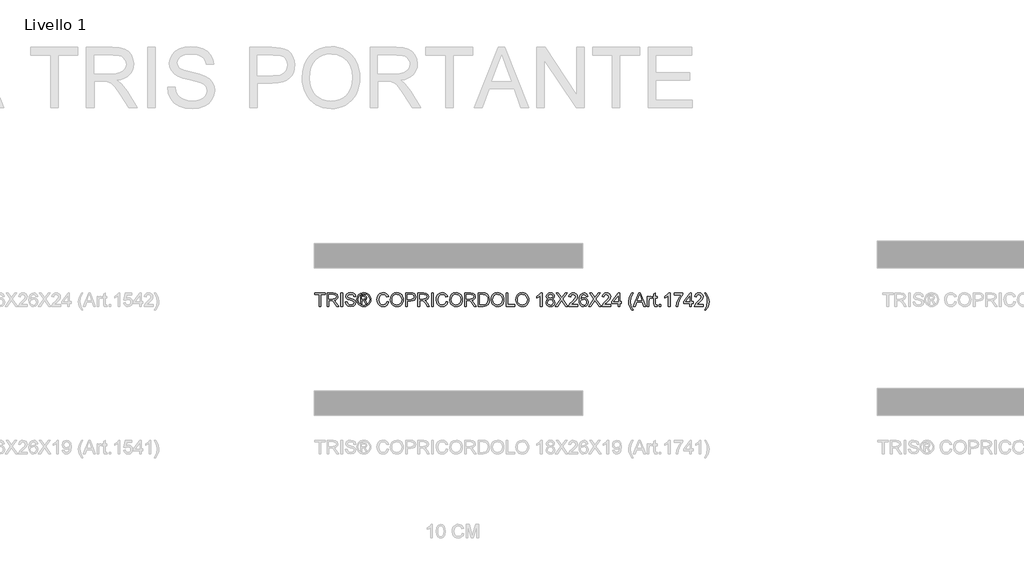
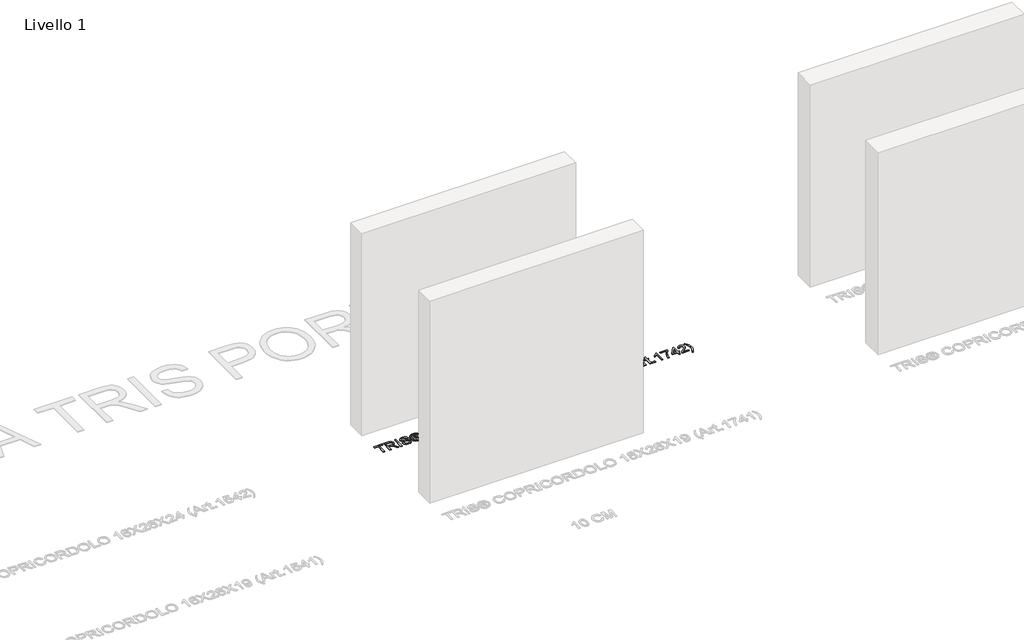
# One storey, part 7 of 19: 1 proxy.
"""IFC4 building model written with IfcOpenShell, lengths in millimetres."""

from ifc_helpers import new_model, si_unit, origin, origin_with_axes, place, context, project, spatial, polyline, outline, extrude, element, save

model = new_model("IFC4")

# Units and contexts
model_context = context("Model", 3, world=origin())
ifc_project = project(units=[si_unit("LENGTHUNIT", "METRE", prefix="MILLI")], contexts=[model_context])

# Site, building, storey
site = spatial("IfcSite", under=ifc_project)
building = spatial("IfcBuilding", under=site)
storey = spatial("IfcBuildingStorey", under=building, Name="Livello 1", Elevation=0.0)

# Proxy
placement = place(None, origin())
element("IfcBuildingElementProxy", 1, Name="100", ObjectType="100", at=placement, inside=storey, context=model_context, shape_type="SweptSolid", body=[
    extrude(outline(polyline([(-1098.4773916, -3056.1057849), (-1098.4773916, -2968.2065135), (-1131.4396184, -2968.2065135), (-1131.4396184, -2955.6494748), (-1052.9581261, -2955.6494748), (-1052.9581261, -2968.2065135), (-1085.9203528, -2968.2065135), (-1085.9203528, -3056.1057849), (-1098.4773916, -3056.1057849)])), origin_with_axes(), (0.0, 0.0, 1.0), 5.0),
    extrude(outline(polyline([(-1038.8314575, -3056.1057849), (-1038.8314575, -2955.6494748), (-995.5440094, -2955.6494748), (-975.4453897, -2958.3595388), (-964.4579808, -2967.9489961), (-960.3499652, -2983.1425225), (-962.0514194, -2993.0385482), (-967.1557821, -3001.2423167), (-975.8163374, -3007.2571873), (-988.1863695, -3010.5865194), (-981.0494587, -3015.9575965), (-970.8713902, -3028.8825173), (-954.1204967, -3056.1057849), (-968.7131492, -3056.1057849), (-981.7852227, -3035.283664), (-991.2275273, -3021.5003519), (-997.8616659, -3014.9888406), (-1003.833617, -3012.5976076), (-1011.1176805, -3012.1561492), (-1026.2744187, -3012.1561492), (-1026.2744187, -3056.1057849), (-1038.8314575, -3056.1057849)]), holes=[polyline([(-1026.2744187, -2999.5991105), (-998.1682343, -2999.5991105), (-983.8330992, -2997.8210142), (-975.6906444, -2992.131106), (-972.9070039, -2983.6085064), (-978.2167674, -2972.5475211), (-995.0044491, -2968.2065135), (-1026.2744187, -2968.2065135), (-1026.2744187, -2999.5991105)])]), origin_with_axes(), (0.0, 0.0, 1.0), 5.0),
    extrude(outline(polyline([(-936.8055175, -3056.1057849), (-936.8055175, -2955.6494748), (-924.2484787, -2955.6494748), (-924.2484787, -3056.1057849), (-936.8055175, -3056.1057849)])), origin_with_axes(), (0.0, 0.0, 1.0), 5.0),
    extrude(outline(polyline([(-903.8432907, -3021.5739283), (-891.2862519, -3021.5739283), (-887.23955, -3034.1432298), (-877.355787, -3042.0894809), (-862.2971507, -3045.118376), (-849.1760262, -3042.8252449), (-840.7024776, -3036.5222), (-837.9188372, -3028.0977024), (-840.0035018, -3020.2618159), (-848.5383641, -3014.5596449), (-866.8220992, -3009.7649163), (-886.503786, -3003.572236), (-897.1846266, -2994.2280333), (-900.704031, -2981.744571), (-896.3507607, -2967.5320632), (-883.6343064, -2957.5011475), (-865.0194775, -2954.0798449), (-845.1538497, -2957.660563), (-831.9100979, -2968.1819881), (-826.9314282, -2983.902812), (-839.488467, -2983.902812), (-841.7938608, -2976.410282), (-846.6008522, -2971.0024167), (-864.5289681, -2966.6368837), (-882.506135, -2970.9533658), (-888.1469922, -2981.376689), (-884.1493412, -2990.0832295), (-863.6460514, -2997.0975129), (-841.4259788, -3003.4005578), (-829.2736103, -3013.5786263), (-825.3617984, -3027.7788713), (-829.8622215, -3042.8007194), (-842.8116677, -3053.7636029), (-861.8066414, -3057.6754148), (-884.2351804, -3053.4570346), (-898.4231626, -3040.752843), (-903.8432907, -3021.5739283)])), origin_with_axes(), (0.0, 0.0, 1.0), 5.0),
    extrude(outline(polyline([(-789.2603119, -3037.2702268), (-789.2603119, -2974.4850329), (-768.9777513, -2974.4850329), (-753.9191149, -2976.2140783), (-746.5001614, -2982.247343), (-743.7410464, -2991.4076047), (-748.4989869, -3003.3269814), (-761.1050766, -3009.0168895), (-756.1999833, -3012.352353), (-747.6405955, -3024.8848663), (-740.6017867, -3037.2702268), (-751.1967882, -3037.2702268), (-756.7150181, -3027.3128874), (-765.9611189, -3012.8919132), (-773.9809464, -3010.5865194), (-779.8425329, -3010.5865194), (-779.8425329, -3037.2702268), (-789.2603119, -3037.2702268)]), holes=[polyline([(-779.8425329, -3001.1687403), (-767.9231562, -3001.1687403), (-756.2735597, -2998.7775073), (-753.1588255, -2992.4376743), (-754.6548789, -2987.8759376), (-758.8119455, -2984.8838307), (-768.6834457, -2983.902812), (-779.8425329, -2983.902812), (-779.8425329, -3001.1687403)])]), origin_with_axes(), (0.0, 0.0, 1.0), 5.0),
    extrude(outline(polyline([(-765.6913388, -2954.0798449), (-752.7970748, -2955.753708), (-740.2093792, -2960.7752972), (-729.1514596, -2968.9116207), (-720.8465236, -2979.9296865), (-715.6501904, -2992.6522721), (-713.9180793, -3005.9021553), (-715.6256649, -3019.0355425), (-720.7484217, -3031.653895), (-728.9521902, -3042.6321069), (-739.9028109, -3050.8450724), (-752.5119663, -3055.9678292), (-765.6913388, -3057.6754148), (-778.8523171, -3055.9678292), (-791.4553412, -3050.8450724), (-802.4151589, -3042.6321069), (-810.6465186, -3031.653895), (-815.7968665, -3019.0355425), (-817.5136492, -3005.9021553), (-815.772341, -2992.6522721), (-810.5484167, -2979.9296865), (-802.2158895, -2968.9116207), (-791.1487728, -2960.7752972), (-778.5672086, -2955.753708), (-765.6913388, -2954.0798449)]), holes=[polyline([(-765.6913388, -2963.497624), (-786.5134597, -2968.9790657), (-795.541897, -2975.6407955), (-802.3691737, -2984.6631015), (-808.0958701, -3005.9021553), (-802.4795383, -3026.9572682), (-786.7587144, -3042.6413039), (-765.6913388, -3048.2576357), (-744.6117004, -3042.6413039), (-728.9276647, -3026.9572682), (-723.3358584, -3005.9021553), (-729.0257666, -2984.6631015), (-735.8346492, -2975.6407955), (-744.8814806, -2968.9790657), (-765.6913388, -2963.497624)])]), origin_with_axes(), (0.0, 0.0, 1.0), 5.0),
    extrude(outline(polyline([(-593.0565812, -3020.3967059), (-580.4995424, -3023.6340675), (-586.2936838, -3038.2665738), (-595.3865005, -3048.9566115), (-607.3304026, -3055.495714), (-621.6778004, -3057.6754148), (-636.2428617, -3056.0260772), (-647.8096848, -3051.0780643), (-656.6756409, -3043.0030545), (-663.1381012, -3031.972726), (-668.3988138, -3005.1173404), (-666.9119574, -2990.4695056), (-662.4513882, -2977.8204964), (-655.2500981, -2967.5719171), (-645.5410791, -2960.1253724), (-634.0263727, -2955.5912268), (-621.4080203, -2954.0798449), (-607.6400366, -2956.0357509), (-596.2571545, -2961.9034687), (-587.6149933, -2971.3212478), (-582.0691722, -2983.9273375), (-594.626211, -2986.9194444), (-604.9269069, -2971.4806633), (-621.8985296, -2966.6368837), (-641.5434281, -2972.0079608), (-652.6412017, -2986.428935), (-655.841775, -3005.0928149), (-652.0525905, -3026.7242762), (-640.2558411, -3040.5443765), (-622.9285992, -3045.118376), (-612.447028, -3043.5610089), (-603.7128963, -3038.8889076), (-597.1186115, -3031.1511229), (-593.0565812, -3020.3967059)])), origin_with_axes(), (0.0, 0.0, 1.0), 5.0),
    extrude(outline(polyline([(-567.9425036, -3007.202005), (-564.5947775, -2984.9880639), (-554.551599, -2968.1819881), (-539.2170512, -2957.6053807), (-519.9952169, -2954.0798449), (-506.8189101, -2955.7353139), (-495.0037667, -2960.7017208), (-485.1935802, -2968.6295778), (-478.032144, -2979.169397), (-473.6543483, -2991.8122749), (-472.195083, -3006.0493081), (-473.7309903, -3020.4764137), (-478.3387123, -3033.2971012), (-485.7637973, -3043.8553145), (-495.7517934, -3051.4949973), (-507.4657693, -3056.1303104), (-520.0687933, -3057.6754148), (-533.4474352, -3055.9678292), (-545.3300237, -3050.8450724), (-555.1156847, -3042.7700626), (-562.2035445, -3032.205718), (-567.9425036, -3007.202005)]), holes=[polyline([(-555.3854649, -3007.3246324), (-552.8746702, -3023.0393249), (-545.3422864, -3035.0138839), (-534.020718, -3042.592253), (-520.1423697, -3045.118376), (-506.0616864, -3042.5677275), (-494.7217239, -3034.915782), (-487.2445223, -3022.5733411), (-484.7521218, -3005.9512062), (-489.0195529, -2985.2271872), (-501.4907526, -2971.5051888), (-519.9216405, -2966.6368837), (-533.4290411, -2968.9821314), (-544.9130907, -2976.0178746), (-552.7673713, -2988.5350595), (-555.3854649, -3007.3246324)])]), origin_with_axes(), (0.0, 0.0, 1.0), 5.0),
    extrude(outline(polyline([(-454.9291547, -3056.1057849), (-454.9291547, -2955.6494748), (-417.6994968, -2955.6494748), (-402.6899114, -2956.605968), (-390.4884919, -2961.3025948), (-382.579029, -2971.0146794), (-379.5869221, -2984.7121524), (-381.6072074, -2996.5518213), (-387.6680633, -3006.4171901), (-399.0018944, -3013.0758542), (-416.8411055, -3015.2954089), (-442.3721159, -3015.2954089), (-442.3721159, -3056.1057849), (-454.9291547, -3056.1057849)]), holes=[polyline([(-442.3721159, -3002.7383702), (-416.1053415, -3002.7383702), (-397.6131399, -2998.1275825), (-393.5112556, -2992.5786957), (-392.1439609, -2985.1536108), (-395.3690597, -2974.7548131), (-403.8426083, -2969.0649049), (-416.3996471, -2968.2065135), (-442.3721159, -2968.2065135), (-442.3721159, -3002.7383702)])]), origin_with_axes(), (0.0, 0.0, 1.0), 5.0),
    extrude(outline(polyline([(-362.3209938, -3056.1057849), (-362.3209938, -2955.6494748), (-319.0335457, -2955.6494748), (-298.934926, -2958.3595388), (-287.9475171, -2967.9489961), (-283.8395015, -2983.1425225), (-285.5409557, -2993.0385482), (-290.6453184, -3001.2423167), (-299.3058737, -3007.2571873), (-311.6759058, -3010.5865194), (-304.5389951, -3015.9575965), (-294.3609266, -3028.8825173), (-277.610033, -3056.1057849), (-292.2026855, -3056.1057849), (-305.2747591, -3035.283664), (-314.7170636, -3021.5003519), (-321.3512023, -3014.9888406), (-327.3231533, -3012.5976076), (-334.6072168, -3012.1561492), (-349.763955, -3012.1561492), (-349.763955, -3056.1057849), (-362.3209938, -3056.1057849)]), holes=[polyline([(-349.763955, -2999.5991105), (-321.6577706, -2999.5991105), (-307.3226355, -2997.8210142), (-299.1801807, -2992.131106), (-296.3965403, -2983.6085064), (-301.7063037, -2972.5475211), (-318.4939854, -2968.2065135), (-349.763955, -2968.2065135), (-349.763955, -2999.5991105)])]), origin_with_axes(), (0.0, 0.0, 1.0), 5.0),
    extrude(outline(polyline([(-260.2950538, -3056.1057849), (-260.2950538, -2955.6494748), (-247.738015, -2955.6494748), (-247.738015, -3056.1057849), (-260.2950538, -3056.1057849)])), origin_with_axes(), (0.0, 0.0, 1.0), 5.0),
    extrude(outline(polyline([(-151.9905944, -3020.3967059), (-139.4335556, -3023.6340675), (-145.2276971, -3038.2665738), (-154.3205137, -3048.9566115), (-166.2644158, -3055.495714), (-180.6118136, -3057.6754148), (-195.176875, -3056.0260772), (-206.743698, -3051.0780643), (-215.6096541, -3043.0030545), (-222.0721145, -3031.972726), (-227.332827, -3005.1173404), (-225.8459706, -2990.4695056), (-221.3854014, -2977.8204964), (-214.1841114, -2967.5719171), (-204.4750924, -2960.1253724), (-192.9603859, -2955.5912268), (-180.3420335, -2954.0798449), (-166.5740498, -2956.0357509), (-155.1911678, -2961.9034687), (-146.5490066, -2971.3212478), (-141.0031855, -2983.9273375), (-153.5602243, -2986.9194444), (-163.8609201, -2971.4806633), (-180.8325428, -2966.6368837), (-200.4774414, -2972.0079608), (-211.5752149, -2986.428935), (-214.7757883, -3005.0928149), (-210.9866037, -3026.7242762), (-199.1898544, -3040.5443765), (-181.8626124, -3045.118376), (-171.3810412, -3043.5610089), (-162.6469095, -3038.8889076), (-156.0526248, -3031.1511229), (-151.9905944, -3020.3967059)])), origin_with_axes(), (0.0, 0.0, 1.0), 5.0),
    extrude(outline(polyline([(-126.8765169, -3007.202005), (-123.5287907, -2984.9880639), (-113.4856123, -2968.1819881), (-98.1510644, -2957.6053807), (-78.9292302, -2954.0798449), (-65.7529234, -2955.7353139), (-53.93778, -2960.7017208), (-44.1275934, -2968.6295778), (-36.9661573, -2979.169397), (-32.5883615, -2991.8122749), (-31.1290963, -3006.0493081), (-32.6650036, -3020.4764137), (-37.2727256, -3033.2971012), (-44.6978105, -3043.8553145), (-54.6858067, -3051.4949973), (-66.3997826, -3056.1303104), (-79.0028066, -3057.6754148), (-92.3814485, -3055.9678292), (-104.2640369, -3050.8450724), (-114.049698, -3042.7700626), (-121.1375578, -3032.205718), (-126.8765169, -3007.202005)]), holes=[polyline([(-114.3194781, -3007.3246324), (-111.8086835, -3023.0393249), (-104.2762996, -3035.0138839), (-92.9547312, -3042.592253), (-79.076383, -3045.118376), (-64.9956996, -3042.5677275), (-53.6557371, -3034.915782), (-46.1785356, -3022.5733411), (-43.686135, -3005.9512062), (-47.9535662, -2985.2271872), (-60.4247658, -2971.5051888), (-78.8556538, -2966.6368837), (-92.3630544, -2968.9821314), (-103.847104, -2976.0178746), (-111.7013846, -2988.5350595), (-114.3194781, -3007.3246324)])]), origin_with_axes(), (0.0, 0.0, 1.0), 5.0),
    extrude(outline(polyline([(-13.863168, -3056.1057849), (-13.863168, -2955.6494748), (29.4242801, -2955.6494748), (49.5228998, -2958.3595388), (60.5103087, -2967.9489961), (64.6183243, -2983.1425225), (62.9168701, -2993.0385482), (57.8125074, -3001.2423167), (49.1519521, -3007.2571873), (36.78192, -3010.5865194), (43.9188307, -3015.9575965), (54.0968993, -3028.8825173), (70.8477928, -3056.1057849), (56.2551403, -3056.1057849), (43.1830668, -3035.283664), (33.7407622, -3021.5003519), (27.1066236, -3014.9888406), (21.1346725, -3012.5976076), (13.850609, -3012.1561492), (-1.3061292, -3012.1561492), (-1.3061292, -3056.1057849), (-13.863168, -3056.1057849)]), holes=[polyline([(-1.3061292, -2999.5991105), (26.8000552, -2999.5991105), (41.1351903, -2997.8210142), (49.2776451, -2992.131106), (52.0612856, -2983.6085064), (46.7515221, -2972.5475211), (29.9638404, -2968.2065135), (-1.3061292, -2968.2065135), (-1.3061292, -2999.5991105)])]), origin_with_axes(), (0.0, 0.0, 1.0), 5.0),
    extrude(outline(polyline([(86.5931422, -3056.1057849), (86.5931422, -2955.6494748), (121.2476261, -2955.6494748), (139.175742, -2957.0964773), (153.9400728, -2964.2824389), (165.8349239, -2981.4502654), (169.783524, -3005.3380696), (167.1102482, -3025.6083675), (160.2431176, -3040.2378082), (151.0705932, -3049.3490189), (139.0653774, -3054.3890023), (122.9153578, -3056.1057849), (86.5931422, -3056.1057849)]), holes=[polyline([(99.150181, -3043.5487462), (121.3702535, -3043.5487462), (137.5325358, -3041.7338616), (146.852213, -3036.6080392), (154.4918958, -3024.1368395), (157.2264853, -3005.1418659), (155.8867817, -2991.4566556), (151.8676709, -2981.3521635), (138.8323855, -2970.2176018), (121.0268969, -2968.2065135), (99.150181, -2968.2065135), (99.150181, -3043.5487462)])]), origin_with_axes(), (0.0, 0.0, 1.0), 5.0),
    extrude(outline(polyline([(182.3405628, -3007.202005), (185.688289, -2984.9880639), (195.7314674, -2968.1819881), (211.0660153, -2957.6053807), (230.2878495, -2954.0798449), (243.4641563, -2955.7353139), (255.2792997, -2960.7017208), (265.0894862, -2968.6295778), (272.2509224, -2979.169397), (276.6287182, -2991.8122749), (278.0879834, -3006.0493081), (276.5520761, -3020.4764137), (271.9443541, -3033.2971012), (264.5192692, -3043.8553145), (254.531273, -3051.4949973), (242.8172971, -3056.1303104), (230.2142731, -3057.6754148), (216.8356312, -3055.9678292), (204.9530428, -3050.8450724), (195.1673817, -3042.7700626), (188.0795219, -3032.205718), (182.3405628, -3007.202005)]), holes=[polyline([(194.8976016, -3007.3246324), (197.4083962, -3023.0393249), (204.94078, -3035.0138839), (216.2623484, -3042.592253), (230.1406967, -3045.118376), (244.2213801, -3042.5677275), (255.5613426, -3034.915782), (263.0385441, -3022.5733411), (265.5309446, -3005.9512062), (261.2635135, -2985.2271872), (248.7923139, -2971.5051888), (230.3614259, -2966.6368837), (216.8540253, -2968.9821314), (205.3699757, -2976.0178746), (197.5156951, -2988.5350595), (194.8976016, -3007.3246324)])]), origin_with_axes(), (0.0, 0.0, 1.0), 5.0),
    extrude(outline(polyline([(295.3539117, -3056.1057849), (295.3539117, -2955.6494748), (307.9109505, -2955.6494748), (307.9109505, -3043.5487462), (358.1391056, -3043.5487462), (358.1391056, -3056.1057849), (295.3539117, -3056.1057849)])), origin_with_axes(), (0.0, 0.0, 1.0), 5.0),
    extrude(outline(polyline([(367.5568846, -3007.202005), (370.9046108, -2984.9880639), (380.9477893, -2968.1819881), (396.2823371, -2957.6053807), (415.5041713, -2954.0798449), (428.6804781, -2955.7353139), (440.4956215, -2960.7017208), (450.3058081, -2968.6295778), (457.4672443, -2979.169397), (461.84504, -2991.8122749), (463.3043052, -3006.0493081), (461.7683979, -3020.4764137), (457.1606759, -3033.2971012), (449.735591, -3043.8553145), (439.7475948, -3051.4949973), (428.033619, -3056.1303104), (415.4305949, -3057.6754148), (402.0519531, -3055.9678292), (390.1693646, -3050.8450724), (380.3837035, -3042.7700626), (373.2958438, -3032.205718), (367.5568846, -3007.202005)]), holes=[polyline([(380.1139234, -3007.3246324), (382.624718, -3023.0393249), (390.1571019, -3035.0138839), (401.4786703, -3042.592253), (415.3570185, -3045.118376), (429.4377019, -3042.5677275), (440.7776644, -3034.915782), (448.254866, -3022.5733411), (450.7472665, -3005.9512062), (446.4798353, -2985.2271872), (434.0086357, -2971.5051888), (415.5777477, -2966.6368837), (402.0703472, -2968.9821314), (390.5862975, -2976.0178746), (382.7320169, -2988.5350595), (380.1139234, -3007.3246324)])]), origin_with_axes(), (0.0, 0.0, 1.0), 5.0),
    extrude(outline(polyline([(562.1909856, -3056.1057849), (549.6339468, -3056.1057849), (549.6339468, -2977.8204964), (537.7390956, -2986.294045), (524.5198692, -2992.633878), (524.5198692, -2980.7635523), (542.9262317, -2969.0158539), (554.0975817, -2955.6494748), (562.1909856, -2955.6494748), (562.1909856, -3056.1057849)])), origin_with_axes(), (0.0, 0.0, 1.0), 5.0),
    extrude(outline(polyline([(610.3099505, -3000.7763329), (598.8688205, -2992.9772346), (595.1532123, -2980.8371287), (597.1765633, -2971.0208108), (603.2466162, -2962.9090128), (612.6827894, -2957.4643593), (624.8045011, -2955.6494748), (636.9997893, -2957.5072789), (646.5585898, -2963.0806911), (652.7390073, -2971.3212478), (654.7991465, -2981.1804852), (651.1325893, -2993.0140228), (640.0102903, -3000.7763329), (653.3644067, -3010.6233076), (657.9384062, -3026.871429), (655.6698005, -3038.8766448), (648.8639836, -3048.797196), (638.3548213, -3055.4558601), (624.9761794, -3057.6754148), (611.5975375, -3055.446663), (601.0883752, -3048.7604078), (594.2825583, -3038.7448204), (592.0139526, -3026.5280725), (596.7718931, -3009.8998063), (610.3099505, -3000.7763329)]), holes=[polyline([(607.7102511, -2981.2050107), (612.1616232, -2991.0642482), (625.1233322, -2994.8902209), (637.8275238, -2991.0887736), (642.2421077, -2981.7690964), (637.680371, -2972.1183254), (624.9761794, -2968.2065135), (612.2351996, -2972.0324863), (607.7102511, -2981.2050107)]), polyline([(604.5709914, -3026.0866141), (606.6679188, -3035.5411814), (614.0868723, -3042.6167784), (625.0742813, -3045.118376), (633.6214063, -3043.8031979), (640.0348157, -3039.8576635), (645.3813674, -3026.4790216), (639.8631375, -3012.8428623), (633.3025752, -3008.7961603), (624.6573483, -3007.4472597), (616.229785, -3008.7777662), (609.8807549, -3012.7692859), (604.5709914, -3026.0866141)])]), origin_with_axes(), (0.0, 0.0, 1.0), 5.0),
    extrude(outline(polyline([(662.6472957, -3056.1057849), (701.3730071, -3001.364944), (668.9258151, -2955.6494748), (683.9844514, -2955.6494748), (702.2559238, -2981.376689), (708.4118159, -2991.4076047), (715.622303, -2981.2050107), (733.6975717, -2955.6494748), (748.9769372, -2955.6494748), (716.5297453, -3001.5120968), (755.2554566, -3056.1057849), (740.1968203, -3056.1057849), (714.3960297, -3019.7099929), (709.0249526, -3012.1561492), (703.1143152, -3020.4457569), (677.9266612, -3056.1057849), (662.6472957, -3056.1057849)])), origin_with_axes(), (0.0, 0.0, 1.0), 5.0),
    extrude(outline(polyline([(827.4584295, -3043.5487462), (827.4584295, -3056.1057849), (761.533976, -3056.1057849), (762.8828767, -3047.4482953), (770.5102967, -3034.1187043), (786.2311206, -3019.5628401), (807.9116329, -2998.6426173), (813.3317609, -2984.4178468), (808.2182012, -2972.9031403), (794.8640848, -2968.2065135), (780.9458826, -2972.7927758), (775.6606446, -2985.4724419), (763.1036059, -2983.902812), (766.1478294, -2971.7565748), (772.7298514, -2962.8844873), (782.5063154, -2957.4582279), (795.1338649, -2955.6494748), (807.8533849, -2957.660563), (817.6114548, -2963.6938277), (823.8194635, -2972.7069366), (825.8887997, -2983.6575573), (823.6569823, -2995.5646713), (816.2380287, -3007.8764554), (798.2485991, -3025.08107), (783.8030994, -3037.1598622), (778.1377167, -3043.5487462), (827.4584295, -3043.5487462)])), origin_with_axes(), (0.0, 0.0, 1.0), 5.0),
    extrude(outline(polyline([(904.370292, -2982.3331822), (891.8132532, -2983.902812), (887.0553128, -2973.4304379), (874.4737485, -2968.2065135), (863.1429831, -2971.2476714), (854.5713326, -2982.664276), (851.0028772, -3005.043764), (862.0761253, -2995.025111), (875.7981237, -2991.7509612), (887.3986693, -2993.98891), (897.1352794, -3000.7027565), (903.7387612, -3010.9605328), (905.9399218, -3023.8302712), (901.795118, -3041.1575132), (890.3907762, -3053.4202464), (873.9341883, -3057.6754148), (859.687958, -3054.8549861), (848.3418641, -3046.3937003), (840.9198449, -3031.4576912), (838.4458385, -3009.2130933), (841.1926907, -2984.203249), (849.4332474, -2967.1028676), (860.6843051, -2958.512823), (875.2585634, -2955.6494748), (886.2766292, -2957.4214397), (895.0996657, -2962.7373345), (901.2800832, -2971.1802263), (904.370292, -2982.3331822)]), holes=[polyline([(851.0028772, -3023.6340675), (853.909145, -3034.5111118), (861.6346669, -3042.408312), (872.9531696, -3045.118376), (881.2397116, -3043.7142931), (887.7542886, -3039.5020442), (891.9757344, -3032.8801683), (893.3828831, -3024.2472041), (891.9941285, -3015.9606622), (887.8278649, -3009.6422889), (881.2029234, -3005.6415722), (872.4381348, -3004.308), (857.2446084, -3009.6422889), (852.56331, -3015.807378), (851.0028772, -3023.6340675)])]), origin_with_axes(), (0.0, 0.0, 1.0), 5.0),
    extrude(outline(polyline([(910.6488114, -3056.1057849), (949.3745227, -3001.364944), (916.9273308, -2955.6494748), (931.9859671, -2955.6494748), (950.2574395, -2981.376689), (956.4133316, -2991.4076047), (963.6238187, -2981.2050107), (981.6990874, -2955.6494748), (996.9784529, -2955.6494748), (964.5312609, -3001.5120968), (1003.2569723, -3056.1057849), (988.198336, -3056.1057849), (962.3975454, -3019.7099929), (957.0264682, -3012.1561492), (951.1158309, -3020.4457569), (925.9281769, -3056.1057849), (910.6488114, -3056.1057849)])), origin_with_axes(), (0.0, 0.0, 1.0), 5.0),
    extrude(outline(polyline([(1075.4599452, -3043.5487462), (1075.4599452, -3056.1057849), (1009.5354917, -3056.1057849), (1010.8843923, -3047.4482953), (1018.5118124, -3034.1187043), (1034.2326363, -3019.5628401), (1055.9131485, -2998.6426173), (1061.3332766, -2984.4178468), (1056.2197169, -2972.9031403), (1042.8656005, -2968.2065135), (1028.9473983, -2972.7927758), (1023.6621603, -2985.4724419), (1011.1051215, -2983.902812), (1014.149345, -2971.7565748), (1020.7313671, -2962.8844873), (1030.5078311, -2957.4582279), (1043.1353806, -2955.6494748), (1055.8549006, -2957.660563), (1065.6129705, -2963.6938277), (1071.8209792, -2972.7069366), (1073.8903154, -2983.6575573), (1071.6584979, -2995.5646713), (1064.2395444, -3007.8764554), (1046.2501148, -3025.08107), (1031.8046151, -3037.1598622), (1026.1392324, -3043.5487462), (1075.4599452, -3043.5487462)])), origin_with_axes(), (0.0, 0.0, 1.0), 5.0),
    extrude(outline(polyline([(1128.82736, -3056.1057849), (1128.82736, -3032.5613372), (1083.3080945, -3032.5613372), (1083.3080945, -3020.0042985), (1131.9666197, -2957.2191046), (1141.3843988, -2957.2191046), (1141.3843988, -3020.0042985), (1153.9414375, -3020.0042985), (1153.9414375, -3032.5613372), (1141.3843988, -3032.5613372), (1141.3843988, -3056.1057849), (1128.82736, -3056.1057849)]), holes=[polyline([(1128.82736, -3020.0042985), (1128.82736, -2981.2050107), (1098.7591383, -3020.0042985), (1128.82736, -3020.0042985)])]), origin_with_axes(), (0.0, 0.0, 1.0), 5.0),
    extrude(outline(polyline([(1232.4229298, -3084.3591222), (1214.5929158, -3054.9040371), (1209.1298682, -3037.7239479), (1207.3088523, -3019.9307221), (1212.7535058, -2989.3965165), (1232.4229298, -2955.6494748), (1241.8407089, -2955.6494748), (1230.0930105, -2975.539628), (1223.0296762, -2994.8166445), (1219.8658911, -3020.0042985), (1225.3595955, -3052.193973), (1241.8407089, -3084.3591222), (1232.4229298, -3084.3591222)])), origin_with_axes(), (0.0, 0.0, 1.0), 5.0),
    extrude(outline(polyline([(1244.2687301, -3056.1057849), (1284.3678676, -2955.6494748), (1295.0609709, -2955.6494748), (1335.1601084, -3056.1057849), (1321.8918311, -3056.1057849), (1310.3893873, -3024.713188), (1269.0149256, -3024.713188), (1257.5370074, -3056.1057849), (1244.2687301, -3056.1057849)]), holes=[polyline([(1273.6257133, -3012.1561492), (1305.8031251, -3012.1561492), (1296.7532281, -2987.4590046), (1289.7144192, -2968.2065135), (1283.4604253, -2985.3007636), (1273.6257133, -3012.1561492)])]), origin_with_axes(), (0.0, 0.0, 1.0), 5.0),
    extrude(outline(polyline([(1347.0059086, -3056.1057849), (1347.0059086, -2982.3331822), (1357.9933175, -2982.3331822), (1357.9933175, -2993.2470147), (1365.7924158, -2983.1915735), (1373.640565, -2980.7635523), (1386.2466547, -2984.638576), (1382.0528, -2995.895765), (1373.2236321, -2993.3205911), (1366.1235096, -2995.7976632), (1361.5985611, -3002.6647938), (1359.5629474, -3017.3310226), (1359.5629474, -3056.1057849), (1347.0059086, -3056.1057849)])), origin_with_axes(), (0.0, 0.0, 1.0), 5.0),
    extrude(outline(polyline([(1420.7785114, -3045.6334108), (1422.3481412, -3056.4736669), (1412.9548876, -3057.6754148), (1402.4334625, -3055.5907501), (1397.1850127, -3050.1215711), (1395.6644338, -3035.8722752), (1395.6644338, -2994.8902209), (1386.2466547, -2994.8902209), (1386.2466547, -2982.3331822), (1395.6644338, -2982.3331822), (1395.6644338, -2964.4050663), (1408.2214726, -2957.0229009), (1408.2214726, -2982.3331822), (1420.7785114, -2982.3331822), (1420.7785114, -2994.8902209), (1408.2214726, -2994.8902209), (1408.2214726, -3035.5043932), (1408.8836602, -3041.9791163), (1411.0296385, -3044.2722474), (1415.3093324, -3045.118376), (1420.7785114, -3045.6334108)])), origin_with_axes(), (0.0, 0.0, 1.0), 5.0),
    extrude(outline(polyline([(1436.4748098, -3056.1057849), (1436.4748098, -3043.5487462), (1449.0318486, -3043.5487462), (1449.0318486, -3056.1057849), (1436.4748098, -3056.1057849)])), origin_with_axes(), (0.0, 0.0, 1.0), 5.0),
    extrude(outline(polyline([(1516.525932, -3056.1057849), (1503.9688932, -3056.1057849), (1503.9688932, -2977.8204964), (1492.074042, -2986.294045), (1478.8548157, -2992.633878), (1478.8548157, -2980.7635523), (1497.2611782, -2969.0158539), (1508.4325281, -2955.6494748), (1516.525932, -2955.6494748), (1516.525932, -3056.1057849)])), origin_with_axes(), (0.0, 0.0, 1.0), 5.0),
    extrude(outline(polyline([(1546.348899, -2969.7761434), (1546.348899, -2957.2191046), (1612.2733526, -2957.2191046), (1612.2733526, -2967.3726477), (1593.5726845, -2994.3874489), (1579.2620749, -3028.8089409), (1574.6022363, -3056.1057849), (1562.0451975, -3056.1057849), (1567.0361299, -3027.7788713), (1580.7336029, -2995.760875), (1599.7163138, -2969.7761434), (1546.348899, -2969.7761434)])), origin_with_axes(), (0.0, 0.0, 1.0), 5.0),
    extrude(outline(polyline([(1664.0711375, -3056.1057849), (1664.0711375, -3032.5613372), (1618.551872, -3032.5613372), (1618.551872, -3020.0042985), (1667.2103972, -2957.2191046), (1676.6281763, -2957.2191046), (1676.6281763, -3020.0042985), (1689.185215, -3020.0042985), (1689.185215, -3032.5613372), (1676.6281763, -3032.5613372), (1676.6281763, -3056.1057849), (1664.0711375, -3056.1057849)]), holes=[polyline([(1664.0711375, -3020.0042985), (1664.0711375, -2981.2050107), (1634.0029158, -3020.0042985), (1664.0711375, -3020.0042985)])]), origin_with_axes(), (0.0, 0.0, 1.0), 5.0),
    extrude(outline(polyline([(1764.5274477, -3043.5487462), (1764.5274477, -3056.1057849), (1698.6029941, -3056.1057849), (1699.9518948, -3047.4482953), (1707.5793148, -3034.1187043), (1723.3001387, -3019.5628401), (1744.980651, -2998.6426173), (1750.400779, -2984.4178468), (1745.2872193, -2972.9031403), (1731.9331029, -2968.2065135), (1718.0149007, -2972.7927758), (1712.7296627, -2985.4724419), (1700.172624, -2983.902812), (1703.2168475, -2971.7565748), (1709.7988695, -2962.8844873), (1719.5753335, -2957.4582279), (1732.202883, -2955.6494748), (1744.922403, -2957.660563), (1754.6804729, -2963.6938277), (1760.8884816, -2972.7069366), (1762.9578178, -2983.6575573), (1760.7260004, -2995.5646713), (1753.3070468, -3007.8764554), (1735.3176172, -3025.08107), (1720.8721176, -3037.1598622), (1715.2067348, -3043.5487462), (1764.5274477, -3043.5487462)])), origin_with_axes(), (0.0, 0.0, 1.0), 5.0),
    extrude(outline(polyline([(1783.3630058, -3084.3591222), (1773.9452267, -3084.3591222), (1790.4263401, -3052.193973), (1795.9200446, -3020.0042985), (1792.7562594, -2995.0373737), (1785.7665015, -2975.7358317), (1773.9452267, -2955.6494748), (1783.3630058, -2955.6494748), (1803.0324298, -2989.3965165), (1808.4770833, -3019.9307221), (1806.6468704, -3037.7239479), (1801.1562316, -3054.9040371), (1783.3630058, -3084.3591222)])), origin_with_axes(), (0.0, 0.0, 1.0), 5.0),
])

save(model, "model.ifc")
